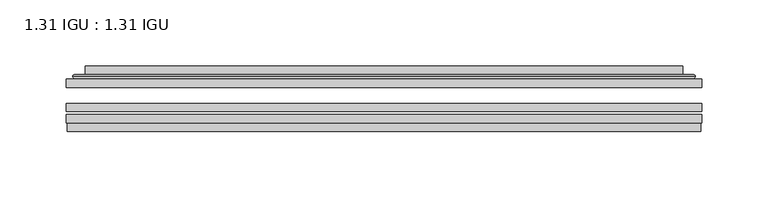
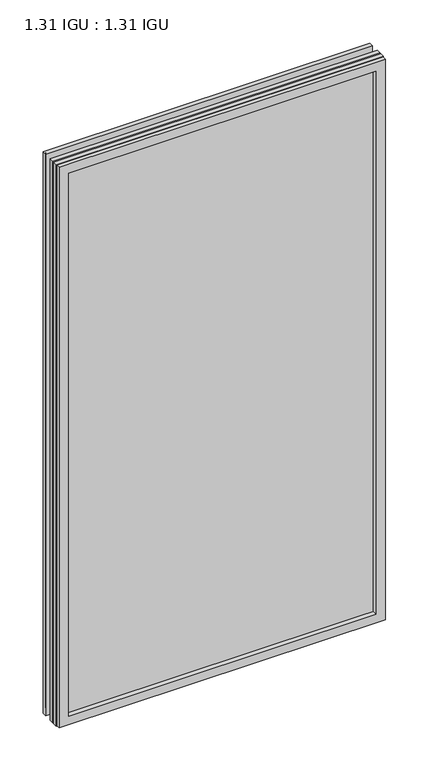
"""IFC4 building model written with IfcOpenShell, lengths in millimetres: plate geometry, 1.31 IGU : 1.31 IGU."""

import ifcopenshell
import ifcopenshell.guid

model = None  # the IFC model being written
_history = None  # IfcOwnerHistory: only IFC2X3 demands one
_inside = {}  # id of a spatial element -> (the spatial element, [elements in it])
_under = {}  # id of a project, library or spatial element -> (it, [spatial elements below it])
_declared = {}  # id of a project -> (the project, [libraries it declares])
_typed = {}  # id of a type object -> (the type object, [elements of that type])
_made_of = {}  # id of a material, layer set ... -> (it, [elements and type objects made of it])


def new_model(schema):
    """Start an empty IFC model of exactly this schema.

    Asked for "IFC4X3", IfcOpenShell would pick the latest addendum, in which some entities
    have other attributes; the version numbers below select the first issue.
    IFC2X3 requires an IfcOwnerHistory on every rooted entity: one is made here for all.
    """
    global model, _history
    if schema == "IFC4X3":
        model = ifcopenshell.file(schema_version=(4, 3, 0, 0))
    else:
        model = ifcopenshell.file(schema=schema)
    _inside.clear()
    _under.clear()
    _declared.clear()
    _typed.clear()
    _made_of.clear()
    _history = None
    if model.schema == "IFC2X3":
        org = make("IfcOrganization", Name="unknown")
        user = make(
            "IfcPersonAndOrganization",
            ThePerson=make("IfcPerson", FamilyName="unknown"),
            TheOrganization=org,
        )
        app = make(
            "IfcApplication",
            ApplicationDeveloper=org,
            Version="unknown",
            ApplicationFullName="unknown",
            ApplicationIdentifier="unknown",
        )
        _history = make(
            "IfcOwnerHistory",
            OwningUser=user,
            OwningApplication=app,
            ChangeAction="ADDED",
            CreationDate=0,
        )
    return model


def make(cls, **values):
    """One entity of the class cls with the attributes given. An attribute that is None is left unset."""
    return model.create_entity(
        cls, **{name: value for name, value in values.items() if value is not None}
    )


def rooted(cls, **values):
    """An entity with a GlobalId (a new one), such as an element, a storey or a relation."""
    return make(cls, GlobalId=ifcopenshell.guid.new(), OwnerHistory=_history, **values)


def si_unit(unit_type, name, prefix=None):
    """IfcSIUnit, for example si_unit("LENGTHUNIT", "METRE", prefix="MILLI")."""
    return make("IfcSIUnit", UnitType=unit_type, Prefix=prefix, Name=name)


def assignment(units):
    """IfcUnitAssignment: the units of a project."""
    return None if units is None else make("IfcUnitAssignment", Units=units)


def point(xyz):
    """IfcCartesianPoint."""
    return None if xyz is None else make("IfcCartesianPoint", Coordinates=xyz)


def direction(xyz):
    """IfcDirection."""
    return None if xyz is None else make("IfcDirection", DirectionRatios=xyz)


def frame(location, z_axis=None, x_axis=None):
    """IfcAxis2Placement3D, a coordinate frame: its origin and axes. An axis left out is left unset."""
    return make(
        "IfcAxis2Placement3D",
        Location=point(location),
        Axis=direction(z_axis),
        RefDirection=direction(x_axis),
    )


def origin():
    """The frame at (0, 0, 0) with its axes left unset."""
    return frame((0.0, 0.0, 0.0))


def place(relative_to, where):
    """IfcLocalPlacement: puts the frame where relative to a parent placement (None: the world)."""
    return make(
        "IfcLocalPlacement", PlacementRelTo=relative_to, RelativePlacement=where
    )


def context(
    kind, dimensions, precision=None, world=None, true_north=None, identifier=None
):
    """IfcGeometricRepresentationContext, for example the 3D "Model" context."""
    return make(
        "IfcGeometricRepresentationContext",
        ContextIdentifier=identifier,
        ContextType=kind,
        CoordinateSpaceDimension=dimensions,
        Precision=precision,
        WorldCoordinateSystem=world,
        TrueNorth=true_north,
    )


def project(units=None, contexts=None):
    """IfcProject with its units and contexts."""
    return rooted(
        "IfcProject",
        Name="project",
        RepresentationContexts=contexts,
        UnitsInContext=assignment(units),
    )


def spatial(cls, under=None, at=None, **own):
    """A site, building, storey or space (cls), placed at a placement, below another one or the project."""
    s = rooted(cls, ObjectPlacement=at, **own)
    if under is not None:
        _under.setdefault(under.id(), (under, []))[1].append(s)
    return s


def polyline(points):
    """IfcPolyline through the points."""
    return make("IfcPolyline", Points=[point(p) for p in points])


def ellipse_curve(where, semi_axis1, semi_axis2):
    """IfcEllipse in the frame where."""
    return make(
        "IfcEllipse", Position=where, SemiAxis1=semi_axis1, SemiAxis2=semi_axis2
    )


def outline(outer, holes=None, kind="AREA"):
    """IfcArbitraryClosedProfileDef: a profile drawn as a closed curve; with holes, ...WithVoids."""
    if holes is None:
        return make("IfcArbitraryClosedProfileDef", ProfileType=kind, OuterCurve=outer)
    return make(
        "IfcArbitraryProfileDefWithVoids",
        ProfileType=kind,
        OuterCurve=outer,
        InnerCurves=holes,
    )


def extrude(swept, where, along, depth):
    """IfcExtrudedAreaSolid: the profile swept, set in the frame where, extruded along a direction by depth."""
    return make(
        "IfcExtrudedAreaSolid",
        SweptArea=swept,
        Position=where,
        ExtrudedDirection=direction(along),
        Depth=depth,
    )


def faces_of(points, faces, orient=None, outer=None):
    """IfcFace entities. A face is a list of loops; a loop is a list of indices into points, from 0.

    orient and outer hold one flag for each loop. By default every Orientation is true, the
    first loop of a face is its IfcFaceOuterBound and the others are IfcFaceBound.
    """
    made = []
    for i, loops in enumerate(faces):
        bounds = []
        for j, loop in enumerate(loops):
            is_outer = j == 0 if outer is None else outer[i][j]
            bounds.append(
                make(
                    "IfcFaceOuterBound" if is_outer else "IfcFaceBound",
                    Bound=make("IfcPolyLoop", Polygon=[points[k] for k in loop]),
                    Orientation=True if orient is None else orient[i][j],
                )
            )
        made.append(make("IfcFace", Bounds=bounds))
    return made


def faceted_brep(points, faces, orient=None, outer=None, voids=None):
    """IfcFacetedBrep: a solid bounded by flat faces; with voids (closed shells), ...WithVoids."""
    shared = [point(p) for p in points]
    hull = make("IfcClosedShell", CfsFaces=faces_of(shared, faces, orient, outer))
    if voids is None:
        return make("IfcFacetedBrep", Outer=hull)
    return make(
        "IfcFacetedBrepWithVoids",
        Outer=hull,
        Voids=[
            make(cls, CfsFaces=faces_of(shared, fs, o, b)) for cls, fs, o, b in voids
        ],
    )


def shape(context_of_items, identifier, shape_type, items):
    """IfcShapeRepresentation: the items that make up one representation, for example the "Body"."""
    return make(
        "IfcShapeRepresentation",
        ContextOfItems=context_of_items,
        RepresentationIdentifier=identifier,
        RepresentationType=shape_type,
        Items=items,
    )


def source(mapping_origin, context_of_items, identifier, shape_type, items):
    """IfcRepresentationMap: a shape defined once, which mapped items show again and again."""
    return make(
        "IfcRepresentationMap",
        MappingOrigin=mapping_origin,
        MappedRepresentation=shape(context_of_items, identifier, shape_type, items),
    )


def transform(
    local_origin,
    x_axis=None,
    y_axis=None,
    z_axis=None,
    scale=None,
    scale2=None,
    scale3=None,
    uniform=True,
):
    """IfcCartesianTransformationOperator3D, or its non-uniform kind. x_axis, y_axis, z_axis: its Axis1, 2, 3."""
    if uniform:
        return make(
            "IfcCartesianTransformationOperator3D",
            Axis1=direction(x_axis),
            Axis2=direction(y_axis),
            LocalOrigin=point(local_origin),
            Scale=scale,
            Axis3=direction(z_axis),
        )
    return make(
        "IfcCartesianTransformationOperator3DnonUniform",
        Axis1=direction(x_axis),
        Axis2=direction(y_axis),
        LocalOrigin=point(local_origin),
        Scale=scale,
        Axis3=direction(z_axis),
        Scale2=scale2,
        Scale3=scale3,
    )


def mapped(mapping_source, mapping_target):
    """IfcMappedItem: shows the shape of a source again, moved by a transform."""
    return make(
        "IfcMappedItem", MappingSource=mapping_source, MappingTarget=mapping_target
    )


def made_of(thing, what):
    """Note that an element or type object is made of a material, layer set ...; save() writes the relation."""
    if what is not None:
        _made_of.setdefault(what.id(), (what, []))[1].append(thing)
    return thing


def element(
    cls,
    number,
    at=None,
    inside=None,
    cuts=None,
    type_object=None,
    material=None,
    context=None,
    identifier="Body",
    shape_type=None,
    held_by="IfcProductDefinitionShape",
    body=None,
    shapes=None,
    **own,
):
    """One element of the class cls, such as IfcWall. Its Tag is "e" and its number.

    at: its placement. inside: the storey or other place that contains it. cuts: it is an
    opening in that element (IfcRelVoidsElement). A single representation is given by context,
    identifier, shape_type and body (its items); several are given by shapes. held_by: the class
    of the entity that holds the representations. save() writes the other relations.
    """
    e = rooted(cls, Tag="e%d" % number, ObjectPlacement=at, **own)
    if body is not None:
        shapes = [shape(context, identifier, shape_type, body)]
    if shapes is not None:
        e.Representation = make(held_by, Representations=shapes)
    if inside is not None:
        _inside.setdefault(inside.id(), (inside, []))[1].append(e)
    if cuts is not None:
        rooted(
            "IfcRelVoidsElement", RelatingBuildingElement=cuts, RelatedOpeningElement=e
        )
    if type_object is not None:
        _typed.setdefault(type_object.id(), (type_object, []))[1].append(e)
    return made_of(e, material)


def aggregate(whole, parts):
    """IfcRelAggregates: a whole, such as a stair, and the parts it consists of."""
    return rooted("IfcRelAggregates", RelatingObject=whole, RelatedObjects=parts)


def save(model, path):
    """Write the relations noted so far, then the file.

    IfcRelAggregates (storeys below a building ...), IfcRelContainedInSpatialStructure (elements
    in a storey), IfcRelDefinesByType, IfcRelAssociatesMaterial and IfcRelDeclares: one each for
    every whole, place, type object, material and project.
    """
    for whole, parts in _under.values():
        aggregate(whole, parts)
    for where, things in _inside.values():
        rooted(
            "IfcRelContainedInSpatialStructure",
            RelatedElements=things,
            RelatingStructure=where,
        )
    for kind, things in _typed.values():
        rooted("IfcRelDefinesByType", RelatedObjects=things, RelatingType=kind)
    for what, things in _made_of.values():
        rooted("IfcRelAssociatesMaterial", RelatedObjects=things, RelatingMaterial=what)
    for by, libraries in _declared.values():
        rooted("IfcRelDeclares", RelatingContext=by, RelatedDefinitions=libraries)
    model.write(path)


def plane_surface(at):
    """IfcPlane: the flat surface through the origin of the frame at, square to its z axis."""
    return make("IfcPlane", Position=at)


def cylinder_surface(at, radius):
    """IfcCylindricalSurface: all points at the distance radius from the z axis of the frame at."""
    return make("IfcCylindricalSurface", Position=at, Radius=radius)


def advanced_brep(points, edges, surfaces, faces):
    """IfcAdvancedBrep: a solid bounded by faces that lie on surfaces and meet in shared edges.

    An edge is (start, end): straight between two places in points (the first is 0);
    or (start, end, curve); or (start, end, curve, False) where it runs against its curve.
    A face is (place in surfaces, loops), or (place, loops, False) where it looks against
    its surface's normal. A loop lists edges by number (the first is 1), with a minus sign
    where the edge is run from its end to its start. The first loop is the outer one.
    """
    corners = [point(p) for p in points]
    vertices = [make("IfcVertexPoint", VertexGeometry=c) for c in corners]
    made = []
    for start, end, *more in edges:
        made.append(
            make(
                "IfcEdgeCurve",
                EdgeStart=vertices[start],
                EdgeEnd=vertices[end],
                EdgeGeometry=more[0] if more else make("IfcPolyline", Points=[corners[start], corners[end]]),
                SameSense=more[1] if len(more) > 1 else True,
            )
        )
    hull = []
    for where, loops, *sense in faces:
        bounds = []
        for j, loop in enumerate(loops):
            ring = [make("IfcOrientedEdge", EdgeElement=made[abs(k) - 1], Orientation=k > 0) for k in loop]
            bounds.append(
                make(
                    "IfcFaceOuterBound" if j == 0 else "IfcFaceBound",
                    Bound=make("IfcEdgeLoop", EdgeList=ring),
                    Orientation=True,
                )
            )
        hull.append(make("IfcAdvancedFace", Bounds=bounds, FaceSurface=surfaces[where], SameSense=sense[0] if sense else True))
    return make("IfcAdvancedBrep", Outer=make("IfcClosedShell", CfsFaces=hull))


def plate_1_31_igu_1_31_igu_7bcf0b76(model_context):
    return source(origin(), model_context, "Body", "SolidModel", [
        extrude(outline(polyline([(239.726675, -63.59525), (239.726675, -69.94525), (-239.7125, -69.94525), (-239.7125, -63.59525), (239.726675, -63.59525)])), frame((0.0, 0.0, -14.2875), z_axis=(0.0, 0.0, 1.0), x_axis=(1.0, 0.0, 0.0)), (0.0, 0.0, 1.0), 869.9537979),
        extrude(outline(polyline([(-239.7125, -78.58125), (-239.7125, -72.230745), (239.726675, -72.230745), (239.726675, -78.58125), (-239.7125, -78.58125)])), frame((0.0, 0.0, -14.2875), z_axis=(0.0, 0.0, 1.0), x_axis=(1.0, 0.0, 0.0)), (0.0, 0.0, 1.0), 869.9537979),
        extrude(outline(polyline([(239.726675, -45.25645), (239.726675, -51.60645), (-239.7125, -51.60645), (-239.7125, -45.25645), (239.726675, -45.25645)])), frame((0.0, 0.0, -14.2875), z_axis=(0.0, 0.0, 1.0), x_axis=(1.0, 0.0, 0.0)), (0.0, 0.0, 1.0), 869.9537979),
        faceted_brep([(-239.0123142, -84.93125, 854.9623142), (-239.0123142, -78.58125, 854.9623142), (-239.0123142, -78.58125, -13.5873142), (-239.0123142, -84.93125, -13.5873142), (239.0123142, -78.58125, -13.5873142), (239.0123142, -84.93125, -13.5873142), (239.0123142, -78.58125, 854.9623142), (239.0123142, -84.93125, 854.9623142), (-224.5272559, -78.58125, 0.8977441), (224.5272559, -78.58125, 0.8977441), (224.5272559, -78.58125, 840.4772559), (-224.5272559, -78.58125, 840.4772559), (-225.4196902, -84.93125, 841.3696902), (225.4196902, -84.93125, 841.3696902), (225.4196902, -84.93125, 0.0053098), (-225.4196902, -84.93125, 0.0053098)], [[[0, 1, 2, 3]], [[3, 2, 4, 5]], [[5, 4, 6, 7]], [[1, 6, 4, 2], [8, 9, 10, 11]], [[7, 6, 1, 0]], [[3, 5, 7, 0], [12, 13, 14, 15]], [[11, 12, 15, 8]], [[8, 15, 14, 9]], [[9, 14, 13, 10]], [[10, 13, 12, 11]]]),
        advanced_brep(
        [(-232.471219, -45.25645, 848.4212191), (-234.8254244, -43.2667833, 850.7754244), (-234.8254244, -43.2667833, -9.4004244), (-232.471219, -45.25645, -7.046219), (-223.3968939, -41.416413, 839.3468939), (-218.4620621, -45.25645, 834.4120621), (-218.4620621, -45.25645, 6.9629379), (-223.3968939, -41.416413, 2.0281061), (-224.4289217, -36.0191819, 840.3789217), (-224.4289217, -36.0191819, 0.9960783), (-225.4195784, -35.6202069, 841.3695784), (-225.4195784, -35.6202069, 0.0054216), (-225.4195784, -42.08145, 841.3695784), (-225.4195784, -42.08145, 0.0054216), (-233.8236349, -42.08145, 849.7736349), (-233.8236349, -42.08145, -8.3986349), (234.8254244, -43.2667833, -9.4004244), (232.471219, -45.25645, -7.046219), (218.4620621, -45.25645, 6.9629379), (223.3968939, -41.416413, 2.0281061), (224.4289217, -36.0191819, 0.9960783), (225.4195784, -35.6202069, 0.0054216), (225.4195784, -42.08145, 0.0054216), (233.8236349, -42.08145, -8.3986349), (234.8254244, -43.2667833, 850.7754244), (232.471219, -45.25645, 848.4212191), (218.4620621, -45.25645, 834.4120621), (223.3968939, -41.416413, 839.3468939), (224.4289217, -36.0191819, 840.3789217), (225.4195784, -35.6202069, 841.3695784), (225.4195784, -42.08145, 841.3695784), (233.8236349, -42.08145, 849.7736349)],
        [
            (0, 1, ellipse_curve(frame((-232.471219, -42.86885, 848.4212191), z_axis=(-0.7071067811865475, 0.0, -0.7071067811865475), x_axis=(-0.7071067811865474, 0.0, 0.7071067811865476)), 3.3765763, 2.3876)),
            (1, 2),
            (2, 3, ellipse_curve(frame((-232.471219, -42.86885, -7.046219), z_axis=(-0.7071067811865475, 0.0, 0.7071067811865475), x_axis=(0.7071067811865474, 0.0, 0.7071067811865476)), 3.3765763, 2.3876)),
            (3, 0),
            (4, 5),
            (5, 6),
            (6, 7),
            (7, 4),
            (8, 4),
            (7, 9),
            (9, 8),
            (10, 8, ellipse_curve(frame((-225.0526219, -36.1384423, 841.0026219), z_axis=(-0.7071067811865475, 0.0, -0.7071067811865475), x_axis=(-0.7071067811865474, 0.0, 0.7071067811865476)), 0.8980256, 0.635)),
            (9, 11, ellipse_curve(frame((-225.0526219, -36.1384423, 0.3723781), z_axis=(-0.7071067811865475, 0.0, 0.7071067811865475), x_axis=(0.7071067811865474, 0.0, 0.7071067811865476)), 0.8980256, 0.635)),
            (11, 10),
            (12, 10),
            (11, 13),
            (13, 12),
            (1, 14, ellipse_curve(frame((-233.8236349, -43.09745, 849.7736349), z_axis=(-0.7071067811865475, 0.0, -0.7071067811865475), x_axis=(-0.7071067811865474, 0.0, 0.7071067811865476)), 1.436841, 1.016)),
            (14, 15),
            (15, 2, ellipse_curve(frame((-233.8236349, -43.09745, -8.3986349), z_axis=(-0.7071067811865475, 0.0, 0.7071067811865475), x_axis=(0.7071067811865474, 0.0, 0.7071067811865476)), 1.436841, 1.016)),
            (2, 16),
            (16, 17, ellipse_curve(frame((232.471219, -42.86885, -7.046219), z_axis=(-0.7071067811865475, 0.0, -0.7071067811865475), x_axis=(-0.7071067811865476, 0.0, 0.7071067811865474)), 3.3765763, 2.3876)),
            (17, 3),
            (6, 18),
            (18, 19),
            (19, 7),
            (19, 20),
            (20, 9),
            (20, 21, ellipse_curve(frame((225.0526219, -36.1384423, 0.3723781), z_axis=(-0.7071067811865475, 0.0, -0.7071067811865475), x_axis=(-0.7071067811865476, 0.0, 0.7071067811865474)), 0.8980256, 0.635)),
            (21, 11),
            (21, 22),
            (22, 13),
            (15, 23),
            (23, 16, ellipse_curve(frame((233.8236349, -43.09745, -8.3986349), z_axis=(-0.7071067811865475, 0.0, -0.7071067811865475), x_axis=(-0.7071067811865476, 0.0, 0.7071067811865474)), 1.436841, 1.016)),
            (16, 24),
            (24, 25, ellipse_curve(frame((232.471219, -42.86885, 848.4212191), z_axis=(0.7071067811865475, 0.0, -0.7071067811865475), x_axis=(-0.7071067811865474, 0.0, -0.7071067811865476)), 3.3765763, 2.3876)),
            (25, 17),
            (18, 26),
            (26, 27),
            (27, 19),
            (27, 28),
            (28, 20),
            (28, 29, ellipse_curve(frame((225.0526219, -36.1384423, 841.0026219), z_axis=(0.7071067811865475, 0.0, -0.7071067811865475), x_axis=(-0.7071067811865474, 0.0, -0.7071067811865476)), 0.8980256, 0.635)),
            (29, 21),
            (29, 30),
            (30, 22),
            (23, 31),
            (31, 24, ellipse_curve(frame((233.8236349, -43.09745, 849.7736349), z_axis=(0.7071067811865475, 0.0, -0.7071067811865475), x_axis=(-0.7071067811865474, 0.0, -0.7071067811865476)), 1.436841, 1.016)),
            (24, 1),
            (0, 25),
            (5, 26),
            (4, 27),
            (8, 28),
            (10, 29),
            (12, 30),
            (14, 31),
        ],
        [
            cylinder_surface(frame((-232.471219, -42.86885, 873.125), z_axis=(0.0, 0.0, 1.0), x_axis=(-1.0, 0.0, 0.0)), 2.3876),
            plane_surface(frame((-218.4620621, -45.25645, 834.4120621), z_axis=(0.6141233906514794, 0.7892100234124821, 0.0), x_axis=(0.0, 0.0, -1.0))),
            plane_surface(frame((-223.3968939, -41.416413, 839.3468939), z_axis=(0.9822050625507729, 0.18781164793386076, 0.0), x_axis=(0.0, 0.0, -1.0))),
            cylinder_surface(frame((-225.0526219, -36.1384423, 873.125), z_axis=(0.0, 0.0, 1.0), x_axis=(-1.0, 0.0, 0.0)), 0.635),
            plane_surface(frame((-225.4195784, -35.6202069, 841.3695784), z_axis=(-1.0, 0.0, 0.0), x_axis=(0.0, 0.0, -1.0))),
            cylinder_surface(frame((-233.8236349, -43.09745, 873.125), z_axis=(0.0, 0.0, 1.0), x_axis=(-1.0, 0.0, 0.0)), 1.016),
            cylinder_surface(frame((-257.175, -42.86885, -7.046219), z_axis=(-1.0, 0.0, 0.0), x_axis=(0.0, 0.0, -1.0)), 2.3876),
            plane_surface(frame((-218.4620621, -45.25645, 6.9629379), z_axis=(0.0, 0.7892100234124841, 0.6141233906514768), x_axis=(1.0, 0.0, 0.0))),
            plane_surface(frame((-223.3968939, -41.416413, 2.0281061), z_axis=(0.0, 0.18781164793386393, 0.9822050625507723), x_axis=(1.0, 0.0, 0.0))),
            cylinder_surface(frame((-257.175, -36.1384423, 0.3723781), z_axis=(-1.0, 0.0, 0.0), x_axis=(0.0, 0.0, -1.0)), 0.635),
            plane_surface(frame((-225.4195784, -35.6202069, 0.0054216), z_axis=(0.0, 0.0, -1.0), x_axis=(1.0, 0.0, 0.0))),
            cylinder_surface(frame((-257.175, -43.09745, -8.3986349), z_axis=(-1.0, 0.0, 0.0), x_axis=(0.0, 0.0, -1.0)), 1.016),
            cylinder_surface(frame((232.471219, -42.86885, -31.75), z_axis=(0.0, 0.0, -1.0), x_axis=(1.0, 0.0, 0.0)), 2.3876),
            plane_surface(frame((218.4620621, -45.25645, 6.9629379), z_axis=(-0.6141233906514743, 0.7892100234124861, 0.0), x_axis=(0.0, 0.0, 1.0))),
            plane_surface(frame((223.3968939, -41.416413, 2.0281061), z_axis=(-0.9822050625507718, 0.1878116479338671, 0.0), x_axis=(0.0, 0.0, 1.0))),
            cylinder_surface(frame((225.0526219, -36.1384423, -31.75), z_axis=(0.0, 0.0, -1.0), x_axis=(1.0, 0.0, 0.0)), 0.635),
            plane_surface(frame((225.4195784, -35.6202069, 0.0054216), z_axis=(1.0, 0.0, 0.0), x_axis=(0.0, 0.0, 1.0))),
            cylinder_surface(frame((233.8236349, -43.09745, -31.75), z_axis=(0.0, 0.0, -1.0), x_axis=(1.0, 0.0, 0.0)), 1.016),
            cylinder_surface(frame((257.175, -42.86885, 848.4212191), z_axis=(1.0, 0.0, 0.0), x_axis=(0.0, 0.0, 1.0)), 2.3876),
            plane_surface(frame((232.471219, -45.25645, 848.4212191), z_axis=(0.0, -1.0, 0.0), x_axis=(-1.0, 0.0, 0.0))),
            plane_surface(frame((218.4620621, -45.25645, 834.4120621), z_axis=(0.0, 0.7892100234124841, -0.6141233906514768), x_axis=(-1.0, 0.0, 0.0))),
            plane_surface(frame((223.3968939, -41.416413, 839.3468939), z_axis=(0.0, 0.18781164793386393, -0.9822050625507723), x_axis=(-1.0, 0.0, 0.0))),
            cylinder_surface(frame((257.175, -36.1384423, 841.0026219), z_axis=(1.0, 0.0, 0.0), x_axis=(0.0, 0.0, 1.0)), 0.635),
            plane_surface(frame((225.4195784, -35.6202069, 841.3695784), z_axis=(0.0, 0.0, 1.0), x_axis=(-1.0, 0.0, 0.0))),
            plane_surface(frame((225.4195784, -42.08145, 841.3695784), z_axis=(0.0, 1.0, 0.0), x_axis=(-1.0, 0.0, 0.0))),
            cylinder_surface(frame((257.175, -43.09745, 849.7736349), z_axis=(1.0, 0.0, 0.0), x_axis=(0.0, 0.0, 1.0)), 1.016),
        ],
        [
            (0, [[1, 2, 3, 4]]),
            (1, [[5, 6, 7, 8]]),
            (2, [[9, -8, 10, 11]]),
            (3, [[12, -11, 13, 14]]),
            (4, [[15, -14, 16, 17]]),
            (5, [[18, 19, 20, -2]]),
            (6, [[-3, 21, 22, 23]]),
            (7, [[-7, 24, 25, 26]]),
            (8, [[-10, -26, 27, 28]]),
            (9, [[-13, -28, 29, 30]]),
            (10, [[-16, -30, 31, 32]]),
            (11, [[-20, 33, 34, -21]]),
            (12, [[-22, 35, 36, 37]]),
            (13, [[-25, 38, 39, 40]]),
            (14, [[-27, -40, 41, 42]]),
            (15, [[-29, -42, 43, 44]]),
            (16, [[-31, -44, 45, 46]]),
            (17, [[-34, 47, 48, -35]]),
            (18, [[-36, 49, -1, 50]]),
            (19, [[-23, -37, -50, -4], [51, -38, -24, -6]]),
            (20, [[-39, -51, -5, 52]]),
            (21, [[-41, -52, -9, 53]]),
            (22, [[-43, -53, -12, 54]]),
            (23, [[-45, -54, -15, 55]]),
            (24, [[56, -47, -33, -19], [-32, -46, -55, -17]]),
            (25, [[-48, -56, -18, -49]]),
        ],
    ),
    ])


if __name__ == "__main__":
    model = new_model("IFC4")
    model_context = context("Model", 3, world=origin())
    ifc_project = project(units=[si_unit("LENGTHUNIT", "METRE", prefix="MILLI")], contexts=[model_context])
    site = spatial("IfcSite", under=ifc_project)
    building = spatial("IfcBuilding", under=site)
    placement = place(None, origin())
    plate_1_31_igu_1_31_igu_shape = plate_1_31_igu_1_31_igu_7bcf0b76(model_context)
    element("IfcPlate", 1, ObjectType="1.31 IGU : 1.31 IGU", at=placement, inside=building, context=model_context, shape_type="MappedRepresentation", body=[
        mapped(plate_1_31_igu_1_31_igu_shape, transform((0.0, 0.0, 0.0), x_axis=(1.0, 0.0, 0.0), y_axis=(0.0, 1.0, 0.0), z_axis=(0.0, 0.0, 1.0))),
    ])
    save(model, "model.ifc")
